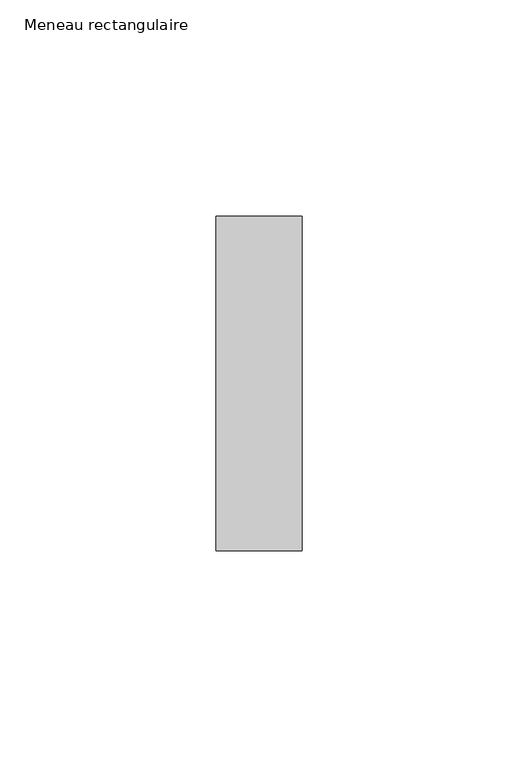
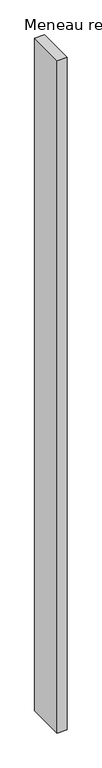
"""IFC4 building model written with IfcOpenShell, lengths in millimetres: member geometry, Meneau rectangulaire."""

from ifc_helpers import new_model, si_unit, frame, origin, place, context, project, spatial, polyline, outline, extrude, source, transform, mapped, element, save


def meneau_rectangulaire_f9a15f93(model_context):
    return source(origin(), model_context, "Body", "SweptSolid", [
        extrude(outline(polyline([(0.0, 38.75), (0.0, -38.75), (-20.0, -38.75), (-20.0, 38.75), (0.0, 38.75)])), frame((0.0, 0.0, -1413.256074), z_axis=(0.0, 0.0, 1.0), x_axis=(1.0, 0.0, 0.0)), (0.0, 0.0, 1.0), 1413.256074),
    ])


if __name__ == "__main__":
    model = new_model("IFC4")
    model_context = context("Model", 3, world=origin())
    ifc_project = project(units=[si_unit("LENGTHUNIT", "METRE", prefix="MILLI")], contexts=[model_context])
    site = spatial("IfcSite", under=ifc_project)
    building = spatial("IfcBuilding", under=site)
    placement = place(None, origin())
    meneau_rectangulaire_shape = meneau_rectangulaire_f9a15f93(model_context)
    element("IfcMember", 1, ObjectType="Meneau rectangulaire", at=placement, inside=building, context=model_context, shape_type="MappedRepresentation", body=[
        mapped(meneau_rectangulaire_shape, transform((0.0, 0.0, 0.0), x_axis=(1.0, 0.0, 0.0), y_axis=(0.0, 1.0, 0.0), z_axis=(0.0, 0.0, 1.0))),
    ])
    save(model, "model.ifc")
